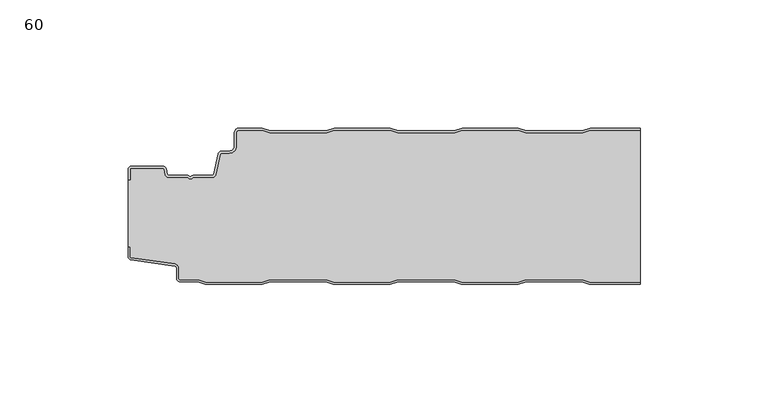
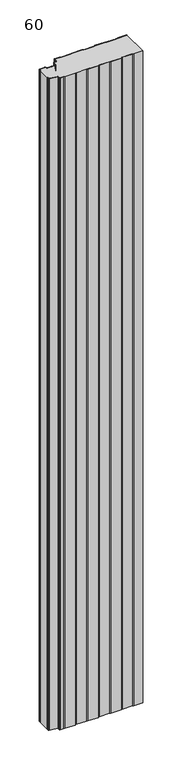
"""IFC4 building model written with IfcOpenShell, lengths in millimetres: plate geometry, 60."""

import ifcopenshell
import ifcopenshell.guid

model = None  # the IFC model being written
_history = None  # IfcOwnerHistory: only IFC2X3 demands one
_inside = {}  # id of a spatial element -> (the spatial element, [elements in it])
_under = {}  # id of a project, library or spatial element -> (it, [spatial elements below it])
_declared = {}  # id of a project -> (the project, [libraries it declares])
_typed = {}  # id of a type object -> (the type object, [elements of that type])
_made_of = {}  # id of a material, layer set ... -> (it, [elements and type objects made of it])


def new_model(schema):
    """Start an empty IFC model of exactly this schema.

    Asked for "IFC4X3", IfcOpenShell would pick the latest addendum, in which some entities
    have other attributes; the version numbers below select the first issue.
    IFC2X3 requires an IfcOwnerHistory on every rooted entity: one is made here for all.
    """
    global model, _history
    if schema == "IFC4X3":
        model = ifcopenshell.file(schema_version=(4, 3, 0, 0))
    else:
        model = ifcopenshell.file(schema=schema)
    _inside.clear()
    _under.clear()
    _declared.clear()
    _typed.clear()
    _made_of.clear()
    _history = None
    if model.schema == "IFC2X3":
        org = make("IfcOrganization", Name="unknown")
        user = make(
            "IfcPersonAndOrganization",
            ThePerson=make("IfcPerson", FamilyName="unknown"),
            TheOrganization=org,
        )
        app = make(
            "IfcApplication",
            ApplicationDeveloper=org,
            Version="unknown",
            ApplicationFullName="unknown",
            ApplicationIdentifier="unknown",
        )
        _history = make(
            "IfcOwnerHistory",
            OwningUser=user,
            OwningApplication=app,
            ChangeAction="ADDED",
            CreationDate=0,
        )
    return model


def make(cls, **values):
    """One entity of the class cls with the attributes given. An attribute that is None is left unset."""
    return model.create_entity(
        cls, **{name: value for name, value in values.items() if value is not None}
    )


def rooted(cls, **values):
    """An entity with a GlobalId (a new one), such as an element, a storey or a relation."""
    return make(cls, GlobalId=ifcopenshell.guid.new(), OwnerHistory=_history, **values)


def si_unit(unit_type, name, prefix=None):
    """IfcSIUnit, for example si_unit("LENGTHUNIT", "METRE", prefix="MILLI")."""
    return make("IfcSIUnit", UnitType=unit_type, Prefix=prefix, Name=name)


def assignment(units):
    """IfcUnitAssignment: the units of a project."""
    return None if units is None else make("IfcUnitAssignment", Units=units)


def point(xyz):
    """IfcCartesianPoint."""
    return None if xyz is None else make("IfcCartesianPoint", Coordinates=xyz)


def direction(xyz):
    """IfcDirection."""
    return None if xyz is None else make("IfcDirection", DirectionRatios=xyz)


def frame(location, z_axis=None, x_axis=None):
    """IfcAxis2Placement3D, a coordinate frame: its origin and axes. An axis left out is left unset."""
    return make(
        "IfcAxis2Placement3D",
        Location=point(location),
        Axis=direction(z_axis),
        RefDirection=direction(x_axis),
    )


def frame_2d(location, x_axis=None):
    """IfcAxis2Placement2D, a coordinate frame in the plane: its origin and x axis."""
    return make(
        "IfcAxis2Placement2D", Location=point(location), RefDirection=direction(x_axis)
    )


def origin():
    """The frame at (0, 0, 0) with its axes left unset."""
    return frame((0.0, 0.0, 0.0))


def origin_with_axes():
    """The frame at (0, 0, 0) with the z axis (0, 0, 1) and the x axis (1, 0, 0) written out."""
    return frame((0.0, 0.0, 0.0), z_axis=(0.0, 0.0, 1.0), x_axis=(1.0, 0.0, 0.0))


def place(relative_to, where):
    """IfcLocalPlacement: puts the frame where relative to a parent placement (None: the world)."""
    return make(
        "IfcLocalPlacement", PlacementRelTo=relative_to, RelativePlacement=where
    )


def context(
    kind, dimensions, precision=None, world=None, true_north=None, identifier=None
):
    """IfcGeometricRepresentationContext, for example the 3D "Model" context."""
    return make(
        "IfcGeometricRepresentationContext",
        ContextIdentifier=identifier,
        ContextType=kind,
        CoordinateSpaceDimension=dimensions,
        Precision=precision,
        WorldCoordinateSystem=world,
        TrueNorth=true_north,
    )


def project(units=None, contexts=None):
    """IfcProject with its units and contexts."""
    return rooted(
        "IfcProject",
        Name="project",
        RepresentationContexts=contexts,
        UnitsInContext=assignment(units),
    )


def spatial(cls, under=None, at=None, **own):
    """A site, building, storey or space (cls), placed at a placement, below another one or the project."""
    s = rooted(cls, ObjectPlacement=at, **own)
    if under is not None:
        _under.setdefault(under.id(), (under, []))[1].append(s)
    return s


def polyline(points):
    """IfcPolyline through the points."""
    return make("IfcPolyline", Points=[point(p) for p in points])


def circle_curve(where, radius):
    """IfcCircle in the frame where."""
    return make("IfcCircle", Position=where, Radius=radius)


def trimmed(basis, trim1, trim2, sense, master):
    """IfcTrimmedCurve: the piece of a basis curve between two trims."""
    return make(
        "IfcTrimmedCurve",
        BasisCurve=basis,
        Trim1=trim1,
        Trim2=trim2,
        SenseAgreement=sense,
        MasterRepresentation=master,
    )


def segment(curve, same_sense, transition):
    """IfcCompositeCurveSegment."""
    return make(
        "IfcCompositeCurveSegment",
        Transition=transition,
        SameSense=same_sense,
        ParentCurve=curve,
    )


def composite_curve(segments, self_intersect=None):
    """IfcCompositeCurve: segments joined end to end."""
    return make("IfcCompositeCurve", Segments=segments, SelfIntersect=self_intersect)


def outline(outer, holes=None, kind="AREA"):
    """IfcArbitraryClosedProfileDef: a profile drawn as a closed curve; with holes, ...WithVoids."""
    if holes is None:
        return make("IfcArbitraryClosedProfileDef", ProfileType=kind, OuterCurve=outer)
    return make(
        "IfcArbitraryProfileDefWithVoids",
        ProfileType=kind,
        OuterCurve=outer,
        InnerCurves=holes,
    )


def extrude(swept, where, along, depth):
    """IfcExtrudedAreaSolid: the profile swept, set in the frame where, extruded along a direction by depth."""
    return make(
        "IfcExtrudedAreaSolid",
        SweptArea=swept,
        Position=where,
        ExtrudedDirection=direction(along),
        Depth=depth,
    )


def shape(context_of_items, identifier, shape_type, items):
    """IfcShapeRepresentation: the items that make up one representation, for example the "Body"."""
    return make(
        "IfcShapeRepresentation",
        ContextOfItems=context_of_items,
        RepresentationIdentifier=identifier,
        RepresentationType=shape_type,
        Items=items,
    )


def source(mapping_origin, context_of_items, identifier, shape_type, items):
    """IfcRepresentationMap: a shape defined once, which mapped items show again and again."""
    return make(
        "IfcRepresentationMap",
        MappingOrigin=mapping_origin,
        MappedRepresentation=shape(context_of_items, identifier, shape_type, items),
    )


def transform(
    local_origin,
    x_axis=None,
    y_axis=None,
    z_axis=None,
    scale=None,
    scale2=None,
    scale3=None,
    uniform=True,
):
    """IfcCartesianTransformationOperator3D, or its non-uniform kind. x_axis, y_axis, z_axis: its Axis1, 2, 3."""
    if uniform:
        return make(
            "IfcCartesianTransformationOperator3D",
            Axis1=direction(x_axis),
            Axis2=direction(y_axis),
            LocalOrigin=point(local_origin),
            Scale=scale,
            Axis3=direction(z_axis),
        )
    return make(
        "IfcCartesianTransformationOperator3DnonUniform",
        Axis1=direction(x_axis),
        Axis2=direction(y_axis),
        LocalOrigin=point(local_origin),
        Scale=scale,
        Axis3=direction(z_axis),
        Scale2=scale2,
        Scale3=scale3,
    )


def mapped(mapping_source, mapping_target):
    """IfcMappedItem: shows the shape of a source again, moved by a transform."""
    return make(
        "IfcMappedItem", MappingSource=mapping_source, MappingTarget=mapping_target
    )


def made_of(thing, what):
    """Note that an element or type object is made of a material, layer set ...; save() writes the relation."""
    if what is not None:
        _made_of.setdefault(what.id(), (what, []))[1].append(thing)
    return thing


def element(
    cls,
    number,
    at=None,
    inside=None,
    cuts=None,
    type_object=None,
    material=None,
    context=None,
    identifier="Body",
    shape_type=None,
    held_by="IfcProductDefinitionShape",
    body=None,
    shapes=None,
    **own,
):
    """One element of the class cls, such as IfcWall. Its Tag is "e" and its number.

    at: its placement. inside: the storey or other place that contains it. cuts: it is an
    opening in that element (IfcRelVoidsElement). A single representation is given by context,
    identifier, shape_type and body (its items); several are given by shapes. held_by: the class
    of the entity that holds the representations. save() writes the other relations.
    """
    e = rooted(cls, Tag="e%d" % number, ObjectPlacement=at, **own)
    if body is not None:
        shapes = [shape(context, identifier, shape_type, body)]
    if shapes is not None:
        e.Representation = make(held_by, Representations=shapes)
    if inside is not None:
        _inside.setdefault(inside.id(), (inside, []))[1].append(e)
    if cuts is not None:
        rooted(
            "IfcRelVoidsElement", RelatingBuildingElement=cuts, RelatedOpeningElement=e
        )
    if type_object is not None:
        _typed.setdefault(type_object.id(), (type_object, []))[1].append(e)
    return made_of(e, material)


def aggregate(whole, parts):
    """IfcRelAggregates: a whole, such as a stair, and the parts it consists of."""
    return rooted("IfcRelAggregates", RelatingObject=whole, RelatedObjects=parts)


def save(model, path):
    """Write the relations noted so far, then the file.

    IfcRelAggregates (storeys below a building ...), IfcRelContainedInSpatialStructure (elements
    in a storey), IfcRelDefinesByType, IfcRelAssociatesMaterial and IfcRelDeclares: one each for
    every whole, place, type object, material and project.
    """
    for whole, parts in _under.values():
        aggregate(whole, parts)
    for where, things in _inside.values():
        rooted(
            "IfcRelContainedInSpatialStructure",
            RelatedElements=things,
            RelatingStructure=where,
        )
    for kind, things in _typed.values():
        rooted("IfcRelDefinesByType", RelatedObjects=things, RelatingType=kind)
    for what, things in _made_of.values():
        rooted("IfcRelAssociatesMaterial", RelatedObjects=things, RelatingMaterial=what)
    for by, libraries in _declared.values():
        rooted("IfcRelDeclares", RelatingContext=by, RelatedDefinitions=libraries)
    model.write(path)


def plate_60_a7020932(model_context):
    return source(origin(), model_context, "Body", "SweptSolid", [
        extrude(outline(composite_curve([segment(trimmed(circle_curve(frame_2d((-98.6, -16.2480681)), 1.4), [point((-100.0, -16.2480681))], [point((-98.6, -14.8480681))], False, "CARTESIAN"), True, "CONTINUOUS"), segment(polyline([(-98.6, -14.8480681), (-86.4969094, -14.8480681)]), True, "CONTINUOUS"), segment(trimmed(circle_curve(frame_2d((-86.4969094, -16.2480681)), 1.4), [point((-86.4969094, -14.8480681))], [point((-85.1275334, -15.9568477))], False, "CARTESIAN"), True, "CONTINUOUS"), segment(polyline([(-85.1275334, -15.9568477), (-84.6878192, -18.0244711)]), True, "CONTINUOUS"), segment(trimmed(circle_curve(frame_2d((-84.1011925, -17.8997153)), 0.5997457), [point((-84.6878192, -18.0244711))], [point((-84.1011925, -18.499461))], True, "CARTESIAN"), True, "CONTINUOUS"), segment(polyline([(-84.1011925, -18.499461), (-76.9006569, -18.499461)]), True, "CONTINUOUS"), segment(trimmed(circle_curve(frame_2d((-76.9006569, -19.799946)), 1.300485), [point((-76.9006569, -18.499461))], [point((-75.9808032, -18.8806362))], False, "CARTESIAN"), True, "CONTINUOUS"), segment(trimmed(circle_curve(frame_2d((-75.5877843, -18.5693125)), 0.5013845), [point((-75.9808032, -18.8806362))], [point((-75.2328971, -18.9234896))], True, "CARTESIAN"), True, "CONTINUOUS"), segment(trimmed(circle_curve(frame_2d((-74.2728751, -19.8002001)), 1.3001013), [point((-75.2328971, -18.9234896))], [point((-74.2728751, -18.5000988))], False, "CARTESIAN"), True, "CONTINUOUS"), segment(polyline([(-74.2728751, -18.5000988), (-67.0728572, -18.5000988)]), True, "CONTINUOUS"), segment(trimmed(circle_curve(frame_2d((-67.0728572, -17.9000522)), 0.6000466), [point((-67.0728572, -18.5000988))], [point((-66.4859224, -18.0248059))], True, "CARTESIAN"), True, "CONTINUOUS"), segment(polyline([(-66.4859224, -18.0248059), (-64.8033928, -10.1089305)]), True, "CONTINUOUS"), segment(trimmed(circle_curve(frame_2d((-63.4339847, -10.4)), 1.4), [point((-64.8033928, -10.1089305))], [point((-63.4339847, -9.0))], False, "CARTESIAN"), True, "CONTINUOUS"), segment(polyline([(-63.4339847, -9.0), (-60.4027062, -9.0)]), True, "CONTINUOUS"), segment(trimmed(circle_curve(frame_2d((-60.4027062, -7.1)), 1.9), [point((-60.4027062, -9.0))], [point((-58.5027062, -7.1))], True, "CARTESIAN"), True, "CONTINUOUS"), segment(polyline([(-58.5027062, -7.1), (-58.5027062, -2.0)]), True, "CONTINUOUS"), segment(trimmed(circle_curve(frame_2d((-56.5027062, -2.0)), 2.0), [point((-58.5027062, -2.0))], [point((-56.5027062, 0.0))], False, "CARTESIAN"), True, "CONTINUOUS"), segment(polyline([(-56.5027062, 0.0), (-47.5017452, 0.0), (-44.5017452, -1.0), (-22.5017452, -1.0), (-19.5017452, 0.0), (2.4982548, 0.0), (5.4982548, -1.0), (27.4982548, -1.0), (30.4982548, 0.0), (52.4982548, 0.0), (55.4982548, -1.0), (77.4982548, -1.0), (80.4982548, 0.0), (100.0, 0.0), (100.0, -0.8), (80.6280769, -0.8), (77.6280769, -1.8), (55.3684327, -1.8), (52.3684327, -0.8), (30.6280769, -0.8), (27.6280769, -1.8), (5.3684327, -1.8), (2.3684327, -0.8), (-19.3719231, -0.8), (-22.3719231, -1.8), (-44.6315673, -1.8), (-47.6315673, -0.8), (-56.5027062, -0.8)]), True, "CONTINUOUS"), segment(trimmed(circle_curve(frame_2d((-56.5027062, -2.0)), 1.2), [point((-56.5027062, -0.8))], [point((-57.7027062, -2.0))], True, "CARTESIAN"), True, "CONTINUOUS"), segment(polyline([(-57.7027062, -2.0), (-57.7027062, -7.1)]), True, "CONTINUOUS"), segment(trimmed(circle_curve(frame_2d((-60.4027062, -7.1)), 2.7), [point((-57.7027062, -7.1))], [point((-60.4027062, -9.8))], False, "CARTESIAN"), True, "CONTINUOUS"), segment(polyline([(-60.4027062, -9.8), (-63.4339847, -9.8)]), True, "CONTINUOUS"), segment(trimmed(circle_curve(frame_2d((-63.4339847, -10.4)), 0.6), [point((-63.4339847, -9.8))], [point((-64.0208733, -10.275253))], True, "CARTESIAN"), True, "CONTINUOUS"), segment(polyline([(-64.0208733, -10.275253), (-65.7034335, -18.1910764)]), True, "CONTINUOUS"), segment(trimmed(circle_curve(frame_2d((-67.0728401, -17.9)), 1.4), [point((-65.7034335, -18.1910764))], [point((-67.0728401, -19.3))], False, "CARTESIAN"), True, "CONTINUOUS"), segment(polyline([(-67.0728401, -19.3), (-74.5122154, -19.3)]), True, "CONTINUOUS"), segment(trimmed(circle_curve(frame_2d((-75.5869697, -18.5686292)), 1.3), [point((-74.5122154, -19.3))], [point((-76.6617239, -19.3))], False, "CARTESIAN"), True, "CONTINUOUS"), segment(polyline([(-76.6617239, -19.3), (-84.1010993, -19.3)]), True, "CONTINUOUS"), segment(trimmed(circle_curve(frame_2d((-84.1010993, -17.9)), 1.4), [point((-84.1010993, -19.3))], [point((-85.4705059, -18.1910764))], False, "CARTESIAN"), True, "CONTINUOUS"), segment(polyline([(-85.4705059, -18.1910764), (-85.9100208, -16.1233211)]), True, "CONTINUOUS"), segment(trimmed(circle_curve(frame_2d((-86.4969094, -16.2480681)), 0.6), [point((-85.9100208, -16.1233211))], [point((-86.4969094, -15.6480681))], True, "CARTESIAN"), True, "CONTINUOUS"), segment(polyline([(-86.4969094, -15.6480681), (-98.6, -15.6480681)]), True, "CONTINUOUS"), segment(trimmed(circle_curve(frame_2d((-98.6, -16.2480681)), 0.6), [point((-98.6, -15.6480681))], [point((-99.2, -16.2480681))], True, "CARTESIAN"), True, "CONTINUOUS"), segment(polyline([(-99.2, -16.2480681), (-99.2, -20.2482392), (-100.0, -20.2482392), (-100.0, -16.2480681)]), True, "CONTINUOUS")], self_intersect=False)), origin_with_axes(), (0.0, 0.0, 1.0), 1500.0),
        extrude(outline(composite_curve([segment(polyline([(-100.0, -46.3232445), (-100.0, -20.2482392), (-99.2, -20.2482392), (-99.2, -16.2480681)]), True, "CONTINUOUS"), segment(trimmed(circle_curve(frame_2d((-98.6, -16.2480681)), 0.6), [point((-99.2, -16.2480681))], [point((-98.6, -15.6480681))], False, "CARTESIAN"), True, "CONTINUOUS"), segment(polyline([(-98.6, -15.6480681), (-86.4969094, -15.6480681)]), True, "CONTINUOUS"), segment(trimmed(circle_curve(frame_2d((-86.4969094, -16.2480681)), 0.6), [point((-86.4969094, -15.6480681))], [point((-85.9100208, -16.1233211))], False, "CARTESIAN"), True, "CONTINUOUS"), segment(polyline([(-85.9100208, -16.1233211), (-85.4705059, -18.1910764)]), True, "CONTINUOUS"), segment(trimmed(circle_curve(frame_2d((-84.1010993, -17.9)), 1.4), [point((-85.4705059, -18.1910764))], [point((-84.1010993, -19.3))], True, "CARTESIAN"), True, "CONTINUOUS"), segment(polyline([(-84.1010993, -19.3), (-76.6617239, -19.3)]), True, "CONTINUOUS"), segment(trimmed(circle_curve(frame_2d((-75.5869697, -18.5686292)), 1.3), [point((-76.6617239, -19.3))], [point((-74.5122154, -19.3))], True, "CARTESIAN"), True, "CONTINUOUS"), segment(polyline([(-74.5122154, -19.3), (-67.0728401, -19.3)]), True, "CONTINUOUS"), segment(trimmed(circle_curve(frame_2d((-67.0728401, -17.9)), 1.4), [point((-67.0728401, -19.3))], [point((-65.7034335, -18.1910764))], True, "CARTESIAN"), True, "CONTINUOUS"), segment(polyline([(-65.7034335, -18.1910764), (-64.0208733, -10.275253)]), True, "CONTINUOUS"), segment(trimmed(circle_curve(frame_2d((-63.4339847, -10.4)), 0.6), [point((-64.0208733, -10.275253))], [point((-63.4339847, -9.8))], False, "CARTESIAN"), True, "CONTINUOUS"), segment(polyline([(-63.4339847, -9.8), (-60.4027062, -9.8)]), True, "CONTINUOUS"), segment(trimmed(circle_curve(frame_2d((-60.4027062, -7.1)), 2.7), [point((-60.4027062, -9.8))], [point((-57.7027062, -7.1))], True, "CARTESIAN"), True, "CONTINUOUS"), segment(polyline([(-57.7027062, -7.1), (-57.7027062, -2.0)]), True, "CONTINUOUS"), segment(trimmed(circle_curve(frame_2d((-56.5027062, -2.0)), 1.2), [point((-57.7027062, -2.0))], [point((-56.5027062, -0.8))], False, "CARTESIAN"), True, "CONTINUOUS"), segment(polyline([(-56.5027062, -0.8), (-47.6315673, -0.8), (-44.6315673, -1.8), (-22.3719231, -1.8), (-19.3719231, -0.8), (2.3684327, -0.8), (5.3684327, -1.8), (27.6280769, -1.8), (30.6280769, -0.8), (52.3684327, -0.8), (55.3684327, -1.8), (77.6280769, -1.8), (80.6280769, -0.8), (100.0, -0.8), (100.0, -60.2), (80.3684327, -60.2), (77.3684327, -59.2), (55.3684327, -59.2), (52.3684327, -60.2), (30.3684327, -60.2), (27.3684327, -59.2), (5.3684327, -59.2), (2.3684327, -60.2), (-19.6315673, -60.2), (-22.6315673, -59.2), (-44.6315673, -59.2), (-47.6315673, -60.2), (-69.6315673, -60.2), (-72.6315673, -59.2), (-79.7, -59.2)]), True, "CONTINUOUS"), segment(trimmed(circle_curve(frame_2d((-79.7, -58.7)), 0.5), [point((-79.7, -59.2))], [point((-80.2, -58.7))], False, "CARTESIAN"), True, "CONTINUOUS"), segment(polyline([(-80.2, -58.7), (-80.2, -54.6035317)]), True, "CONTINUOUS"), segment(trimmed(circle_curve(frame_2d((-81.7, -54.6035317)), 1.5), [point((-80.2, -54.6035317))], [point((-81.4911207, -53.1181464))], True, "CARTESIAN"), True, "CONTINUOUS"), segment(polyline([(-81.4911207, -53.1181464), (-98.6835517, -50.7004962)]), True, "CONTINUOUS"), segment(trimmed(circle_curve(frame_2d((-98.6, -50.1063421)), 0.6), [point((-98.6835517, -50.7004962))], [point((-99.2, -50.1063421))], False, "CARTESIAN"), True, "CONTINUOUS"), segment(polyline([(-99.2, -50.1063421), (-99.2, -46.3232445), (-100.0, -46.3232445)]), True, "CONTINUOUS")], self_intersect=False)), origin_with_axes(), (0.0, 0.0, 1.0), 1500.0),
        extrude(outline(composite_curve([segment(polyline([(-100.0, -46.3232445), (-99.2, -46.3232445), (-99.2, -50.1063421)]), True, "CONTINUOUS"), segment(trimmed(circle_curve(frame_2d((-98.6, -50.1063421)), 0.6), [point((-99.2, -50.1063421))], [point((-98.6835517, -50.7004962))], True, "CARTESIAN"), True, "CONTINUOUS"), segment(polyline([(-98.6835517, -50.7004962), (-81.4911207, -53.1181464)]), True, "CONTINUOUS"), segment(trimmed(circle_curve(frame_2d((-81.7, -54.6035317)), 1.5), [point((-81.4911207, -53.1181464))], [point((-80.2, -54.6035317))], False, "CARTESIAN"), True, "CONTINUOUS"), segment(polyline([(-80.2, -54.6035317), (-80.2, -58.7)]), True, "CONTINUOUS"), segment(trimmed(circle_curve(frame_2d((-79.7, -58.7)), 0.5), [point((-80.2, -58.7))], [point((-79.7, -59.2))], True, "CARTESIAN"), True, "CONTINUOUS"), segment(polyline([(-79.7, -59.2), (-72.6315673, -59.2), (-69.6315673, -60.2), (-47.6315673, -60.2), (-44.6315673, -59.2), (-22.6315673, -59.2), (-19.6315673, -60.2), (2.3684327, -60.2), (5.3684327, -59.2), (27.3684327, -59.2), (30.3684327, -60.2), (52.3684327, -60.2), (55.3684327, -59.2), (77.3684327, -59.2), (80.3684327, -60.2), (100.0, -60.2), (100.0, -61.0), (80.2386105, -61.0), (77.2386105, -60.0), (55.4982548, -60.0), (52.4982548, -61.0), (30.2386105, -61.0), (27.2386105, -60.0), (5.4982548, -60.0), (2.4982548, -61.0), (-19.7613895, -61.0), (-22.7613895, -60.0), (-44.5017452, -60.0), (-47.5017452, -61.0), (-69.7613895, -61.0), (-72.7613895, -60.0), (-79.7, -60.0)]), True, "CONTINUOUS"), segment(trimmed(circle_curve(frame_2d((-79.7, -58.7)), 1.3), [point((-79.7, -60.0))], [point((-81.0, -58.7))], False, "CARTESIAN"), True, "CONTINUOUS"), segment(polyline([(-81.0, -58.7), (-81.0, -54.6035317)]), True, "CONTINUOUS"), segment(trimmed(circle_curve(frame_2d((-81.7, -54.6035317)), 0.7), [point((-81.0, -54.6035317))], [point((-81.602523, -53.9103519))], True, "CARTESIAN"), True, "CONTINUOUS"), segment(polyline([(-81.602523, -53.9103519), (-98.8810287, -51.4805976)]), True, "CONTINUOUS"), segment(trimmed(circle_curve(frame_2d((-98.7, -50.1932637)), 1.3), [point((-98.8810287, -51.4805976))], [point((-100.0, -50.1932637))], False, "CARTESIAN"), True, "CONTINUOUS"), segment(polyline([(-100.0, -50.1932637), (-100.0, -46.3232445)]), True, "CONTINUOUS")], self_intersect=False)), origin_with_axes(), (0.0, 0.0, 1.0), 1500.0),
    ])


if __name__ == "__main__":
    model = new_model("IFC4")
    model_context = context("Model", 3, world=origin())
    ifc_project = project(units=[si_unit("LENGTHUNIT", "METRE", prefix="MILLI")], contexts=[model_context])
    site = spatial("IfcSite", under=ifc_project)
    building = spatial("IfcBuilding", under=site)
    placement = place(None, origin())
    plate_60_shape = plate_60_a7020932(model_context)
    element("IfcPlate", 1, ObjectType="60", at=placement, inside=building, context=model_context, shape_type="MappedRepresentation", body=[
        mapped(plate_60_shape, transform((0.0, 0.0, 0.0), x_axis=(1.0, 0.0, 0.0), y_axis=(0.0, 1.0, 0.0), z_axis=(0.0, 0.0, 1.0))),
    ])
    save(model, "model.ifc")
